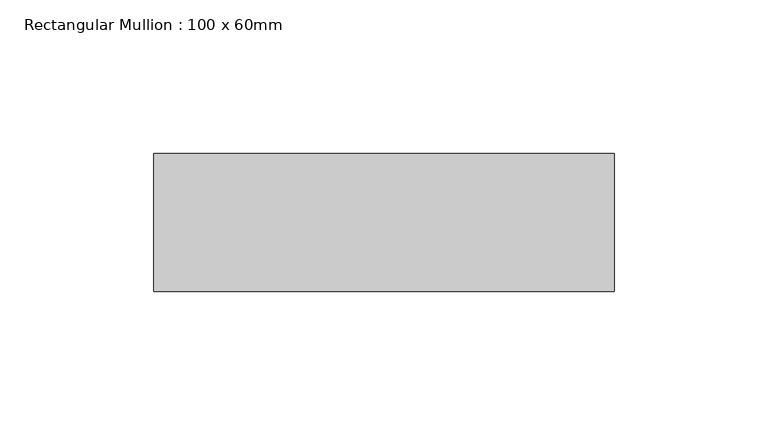
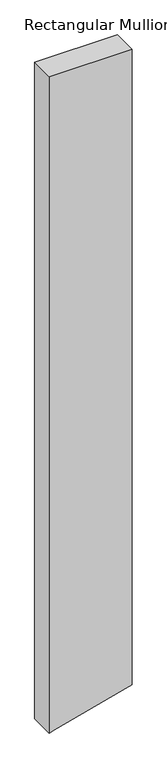
"""IFC4 building model written with IfcOpenShell, lengths in millimetres: member geometry, Rectangular Mullion : 100 x 60mm."""

from ifc_helpers import new_model, si_unit, frame, origin, place, context, project, spatial, polyline, outline, extrude, source, transform, mapped, element, save


def rectangular_mullion_100_x_60mm_8613c945(model_context):
    return source(origin(), model_context, "Body", "SweptSolid", [
        extrude(outline(polyline([(0.0, 75.0), (0.0, -75.0), (-1255.1842681, -75.0), (-1252.4256672, -64.7047613), (-1214.9918892, 75.0), (0.0, 75.0)])), frame((0.0, -15.0, 0.0), z_axis=(0.0, 1.0, 0.0), x_axis=(0.0, 0.0, 1.0)), (0.0, 0.0, 1.0), 45.0),
    ])


if __name__ == "__main__":
    model = new_model("IFC4")
    model_context = context("Model", 3, world=origin())
    ifc_project = project(units=[si_unit("LENGTHUNIT", "METRE", prefix="MILLI")], contexts=[model_context])
    site = spatial("IfcSite", under=ifc_project)
    building = spatial("IfcBuilding", under=site)
    placement = place(None, origin())
    rectangular_mullion_100_x_60mm_shape = rectangular_mullion_100_x_60mm_8613c945(model_context)
    element("IfcMember", 1, ObjectType="Rectangular Mullion : 100 x 60mm", at=placement, inside=building, context=model_context, shape_type="MappedRepresentation", body=[
        mapped(rectangular_mullion_100_x_60mm_shape, transform((0.0, 0.0, 0.0), x_axis=(1.0, 0.0, 0.0), y_axis=(0.0, 1.0, 0.0), z_axis=(0.0, 0.0, 1.0))),
    ])
    save(model, "model.ifc")
